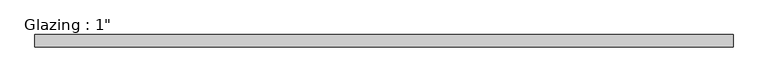
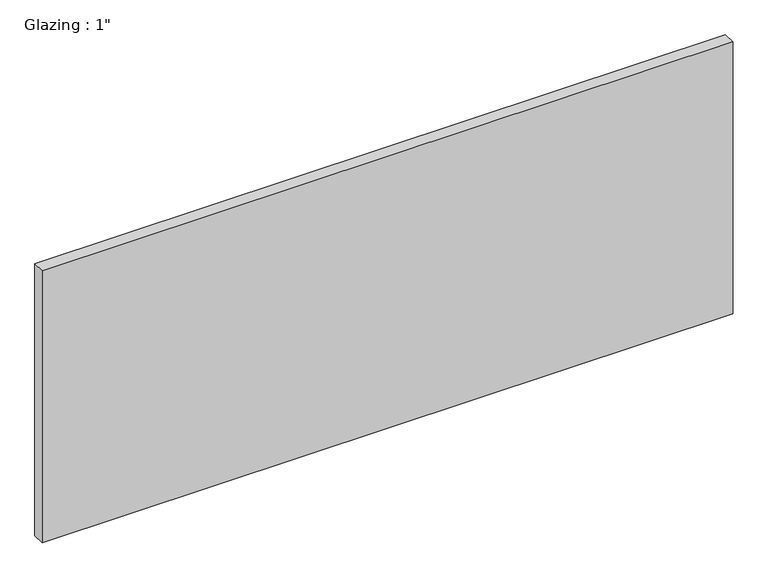
"""IFC4 building model written with IfcOpenShell, lengths in millimetres: plate geometry."""

from ifc_helpers import new_model, si_unit, origin, origin_with_axes, place, context, project, spatial, polyline, outline, extrude, source, transform, mapped, element, save


def plate_d1b2af79(model_context):
    return source(origin(), model_context, "Body", "SweptSolid", [
        extrude(outline(polyline([(713.8402241, -12.7), (-713.8402241, -12.7), (-713.8402241, 12.7), (713.8402241, 12.7), (713.8402241, -12.7)])), origin_with_axes(), (0.0, 0.0, 1.0), 593.7249245),
    ])


if __name__ == "__main__":
    model = new_model("IFC4")
    model_context = context("Model", 3, world=origin())
    ifc_project = project(units=[si_unit("LENGTHUNIT", "METRE", prefix="MILLI")], contexts=[model_context])
    site = spatial("IfcSite", under=ifc_project)
    building = spatial("IfcBuilding", under=site)
    placement = place(None, origin())
    plate_shape = plate_d1b2af79(model_context)
    element("IfcPlate", 1, ObjectType="Glazing : 1\"", at=placement, inside=building, context=model_context, shape_type="MappedRepresentation", body=[
        mapped(plate_shape, transform((0.0, 0.0, 0.0), x_axis=(1.0, 0.0, 0.0), y_axis=(0.0, 1.0, 0.0), z_axis=(0.0, 0.0, 1.0))),
    ])
    save(model, "model.ifc")
